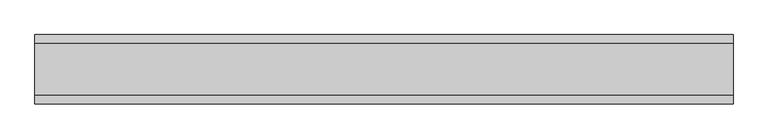
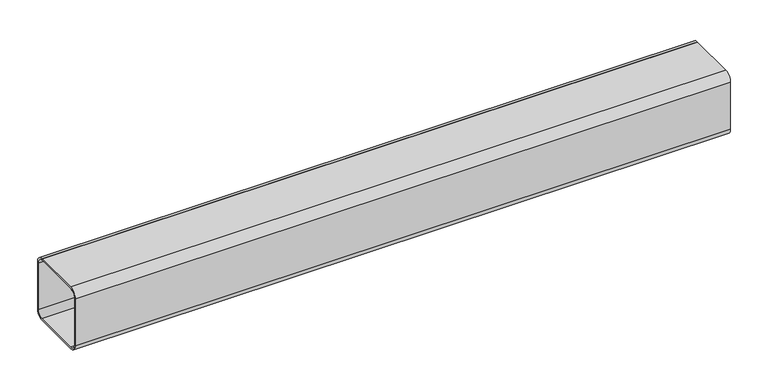
"""IFC4 building model written with IfcOpenShell, lengths in millimetres: beam geometry."""

import ifcopenshell
import ifcopenshell.guid

model = None  # the IFC model being written
_history = None  # IfcOwnerHistory: only IFC2X3 demands one
_inside = {}  # id of a spatial element -> (the spatial element, [elements in it])
_under = {}  # id of a project, library or spatial element -> (it, [spatial elements below it])
_declared = {}  # id of a project -> (the project, [libraries it declares])
_typed = {}  # id of a type object -> (the type object, [elements of that type])
_made_of = {}  # id of a material, layer set ... -> (it, [elements and type objects made of it])


def new_model(schema):
    """Start an empty IFC model of exactly this schema.

    Asked for "IFC4X3", IfcOpenShell would pick the latest addendum, in which some entities
    have other attributes; the version numbers below select the first issue.
    IFC2X3 requires an IfcOwnerHistory on every rooted entity: one is made here for all.
    """
    global model, _history
    if schema == "IFC4X3":
        model = ifcopenshell.file(schema_version=(4, 3, 0, 0))
    else:
        model = ifcopenshell.file(schema=schema)
    _inside.clear()
    _under.clear()
    _declared.clear()
    _typed.clear()
    _made_of.clear()
    _history = None
    if model.schema == "IFC2X3":
        org = make("IfcOrganization", Name="unknown")
        user = make(
            "IfcPersonAndOrganization",
            ThePerson=make("IfcPerson", FamilyName="unknown"),
            TheOrganization=org,
        )
        app = make(
            "IfcApplication",
            ApplicationDeveloper=org,
            Version="unknown",
            ApplicationFullName="unknown",
            ApplicationIdentifier="unknown",
        )
        _history = make(
            "IfcOwnerHistory",
            OwningUser=user,
            OwningApplication=app,
            ChangeAction="ADDED",
            CreationDate=0,
        )
    return model


def make(cls, **values):
    """One entity of the class cls with the attributes given. An attribute that is None is left unset."""
    return model.create_entity(
        cls, **{name: value for name, value in values.items() if value is not None}
    )


def rooted(cls, **values):
    """An entity with a GlobalId (a new one), such as an element, a storey or a relation."""
    return make(cls, GlobalId=ifcopenshell.guid.new(), OwnerHistory=_history, **values)


def si_unit(unit_type, name, prefix=None):
    """IfcSIUnit, for example si_unit("LENGTHUNIT", "METRE", prefix="MILLI")."""
    return make("IfcSIUnit", UnitType=unit_type, Prefix=prefix, Name=name)


def assignment(units):
    """IfcUnitAssignment: the units of a project."""
    return None if units is None else make("IfcUnitAssignment", Units=units)


def point(xyz):
    """IfcCartesianPoint."""
    return None if xyz is None else make("IfcCartesianPoint", Coordinates=xyz)


def direction(xyz):
    """IfcDirection."""
    return None if xyz is None else make("IfcDirection", DirectionRatios=xyz)


def frame(location, z_axis=None, x_axis=None):
    """IfcAxis2Placement3D, a coordinate frame: its origin and axes. An axis left out is left unset."""
    return make(
        "IfcAxis2Placement3D",
        Location=point(location),
        Axis=direction(z_axis),
        RefDirection=direction(x_axis),
    )


def frame_2d(location, x_axis=None):
    """IfcAxis2Placement2D, a coordinate frame in the plane: its origin and x axis."""
    return make(
        "IfcAxis2Placement2D", Location=point(location), RefDirection=direction(x_axis)
    )


def origin():
    """The frame at (0, 0, 0) with its axes left unset."""
    return frame((0.0, 0.0, 0.0))


def place(relative_to, where):
    """IfcLocalPlacement: puts the frame where relative to a parent placement (None: the world)."""
    return make(
        "IfcLocalPlacement", PlacementRelTo=relative_to, RelativePlacement=where
    )


def context(
    kind, dimensions, precision=None, world=None, true_north=None, identifier=None
):
    """IfcGeometricRepresentationContext, for example the 3D "Model" context."""
    return make(
        "IfcGeometricRepresentationContext",
        ContextIdentifier=identifier,
        ContextType=kind,
        CoordinateSpaceDimension=dimensions,
        Precision=precision,
        WorldCoordinateSystem=world,
        TrueNorth=true_north,
    )


def project(units=None, contexts=None):
    """IfcProject with its units and contexts."""
    return rooted(
        "IfcProject",
        Name="project",
        RepresentationContexts=contexts,
        UnitsInContext=assignment(units),
    )


def spatial(cls, under=None, at=None, **own):
    """A site, building, storey or space (cls), placed at a placement, below another one or the project."""
    s = rooted(cls, ObjectPlacement=at, **own)
    if under is not None:
        _under.setdefault(under.id(), (under, []))[1].append(s)
    return s


def polyline(points):
    """IfcPolyline through the points."""
    return make("IfcPolyline", Points=[point(p) for p in points])


def circle_curve(where, radius):
    """IfcCircle in the frame where."""
    return make("IfcCircle", Position=where, Radius=radius)


def trimmed(basis, trim1, trim2, sense, master):
    """IfcTrimmedCurve: the piece of a basis curve between two trims."""
    return make(
        "IfcTrimmedCurve",
        BasisCurve=basis,
        Trim1=trim1,
        Trim2=trim2,
        SenseAgreement=sense,
        MasterRepresentation=master,
    )


def segment(curve, same_sense, transition):
    """IfcCompositeCurveSegment."""
    return make(
        "IfcCompositeCurveSegment",
        Transition=transition,
        SameSense=same_sense,
        ParentCurve=curve,
    )


def composite_curve(segments, self_intersect=None):
    """IfcCompositeCurve: segments joined end to end."""
    return make("IfcCompositeCurve", Segments=segments, SelfIntersect=self_intersect)


def outline(outer, holes=None, kind="AREA"):
    """IfcArbitraryClosedProfileDef: a profile drawn as a closed curve; with holes, ...WithVoids."""
    if holes is None:
        return make("IfcArbitraryClosedProfileDef", ProfileType=kind, OuterCurve=outer)
    return make(
        "IfcArbitraryProfileDefWithVoids",
        ProfileType=kind,
        OuterCurve=outer,
        InnerCurves=holes,
    )


def extrude(swept, where, along, depth):
    """IfcExtrudedAreaSolid: the profile swept, set in the frame where, extruded along a direction by depth."""
    return make(
        "IfcExtrudedAreaSolid",
        SweptArea=swept,
        Position=where,
        ExtrudedDirection=direction(along),
        Depth=depth,
    )


def shape(context_of_items, identifier, shape_type, items):
    """IfcShapeRepresentation: the items that make up one representation, for example the "Body"."""
    return make(
        "IfcShapeRepresentation",
        ContextOfItems=context_of_items,
        RepresentationIdentifier=identifier,
        RepresentationType=shape_type,
        Items=items,
    )


def source(mapping_origin, context_of_items, identifier, shape_type, items):
    """IfcRepresentationMap: a shape defined once, which mapped items show again and again."""
    return make(
        "IfcRepresentationMap",
        MappingOrigin=mapping_origin,
        MappedRepresentation=shape(context_of_items, identifier, shape_type, items),
    )


def transform(
    local_origin,
    x_axis=None,
    y_axis=None,
    z_axis=None,
    scale=None,
    scale2=None,
    scale3=None,
    uniform=True,
):
    """IfcCartesianTransformationOperator3D, or its non-uniform kind. x_axis, y_axis, z_axis: its Axis1, 2, 3."""
    if uniform:
        return make(
            "IfcCartesianTransformationOperator3D",
            Axis1=direction(x_axis),
            Axis2=direction(y_axis),
            LocalOrigin=point(local_origin),
            Scale=scale,
            Axis3=direction(z_axis),
        )
    return make(
        "IfcCartesianTransformationOperator3DnonUniform",
        Axis1=direction(x_axis),
        Axis2=direction(y_axis),
        LocalOrigin=point(local_origin),
        Scale=scale,
        Axis3=direction(z_axis),
        Scale2=scale2,
        Scale3=scale3,
    )


def mapped(mapping_source, mapping_target):
    """IfcMappedItem: shows the shape of a source again, moved by a transform."""
    return make(
        "IfcMappedItem", MappingSource=mapping_source, MappingTarget=mapping_target
    )


def made_of(thing, what):
    """Note that an element or type object is made of a material, layer set ...; save() writes the relation."""
    if what is not None:
        _made_of.setdefault(what.id(), (what, []))[1].append(thing)
    return thing


def element(
    cls,
    number,
    at=None,
    inside=None,
    cuts=None,
    type_object=None,
    material=None,
    context=None,
    identifier="Body",
    shape_type=None,
    held_by="IfcProductDefinitionShape",
    body=None,
    shapes=None,
    **own,
):
    """One element of the class cls, such as IfcWall. Its Tag is "e" and its number.

    at: its placement. inside: the storey or other place that contains it. cuts: it is an
    opening in that element (IfcRelVoidsElement). A single representation is given by context,
    identifier, shape_type and body (its items); several are given by shapes. held_by: the class
    of the entity that holds the representations. save() writes the other relations.
    """
    e = rooted(cls, Tag="e%d" % number, ObjectPlacement=at, **own)
    if body is not None:
        shapes = [shape(context, identifier, shape_type, body)]
    if shapes is not None:
        e.Representation = make(held_by, Representations=shapes)
    if inside is not None:
        _inside.setdefault(inside.id(), (inside, []))[1].append(e)
    if cuts is not None:
        rooted(
            "IfcRelVoidsElement", RelatingBuildingElement=cuts, RelatedOpeningElement=e
        )
    if type_object is not None:
        _typed.setdefault(type_object.id(), (type_object, []))[1].append(e)
    return made_of(e, material)


def aggregate(whole, parts):
    """IfcRelAggregates: a whole, such as a stair, and the parts it consists of."""
    return rooted("IfcRelAggregates", RelatingObject=whole, RelatedObjects=parts)


def save(model, path):
    """Write the relations noted so far, then the file.

    IfcRelAggregates (storeys below a building ...), IfcRelContainedInSpatialStructure (elements
    in a storey), IfcRelDefinesByType, IfcRelAssociatesMaterial and IfcRelDeclares: one each for
    every whole, place, type object, material and project.
    """
    for whole, parts in _under.values():
        aggregate(whole, parts)
    for where, things in _inside.values():
        rooted(
            "IfcRelContainedInSpatialStructure",
            RelatedElements=things,
            RelatingStructure=where,
        )
    for kind, things in _typed.values():
        rooted("IfcRelDefinesByType", RelatedObjects=things, RelatingType=kind)
    for what, things in _made_of.values():
        rooted("IfcRelAssociatesMaterial", RelatedObjects=things, RelatingMaterial=what)
    for by, libraries in _declared.values():
        rooted("IfcRelDeclares", RelatingContext=by, RelatedDefinitions=libraries)
    model.write(path)


def beam_9420e83b(model_context):
    return source(origin(), model_context, "Body", "SweptSolid", [
        extrude(outline(composite_curve([segment(polyline([(-38.0, 50.0), (38.0, 50.0)]), True, "CONTINUOUS"), segment(trimmed(circle_curve(frame_2d((38.0, 38.0)), 12.0), [point((38.0, 50.0))], [point((50.0, 38.0))], False, "CARTESIAN"), True, "CONTINUOUS"), segment(polyline([(50.0, 38.0), (50.0, -38.0)]), True, "CONTINUOUS"), segment(trimmed(circle_curve(frame_2d((38.0, -38.0)), 12.0), [point((50.0, -38.0))], [point((38.0, -50.0))], False, "CARTESIAN"), True, "CONTINUOUS"), segment(polyline([(38.0, -50.0), (-38.0, -50.0)]), True, "CONTINUOUS"), segment(trimmed(circle_curve(frame_2d((-38.0, -38.0)), 12.0), [point((-38.0, -50.0))], [point((-50.0, -38.0))], False, "CARTESIAN"), True, "CONTINUOUS"), segment(polyline([(-50.0, -38.0), (-50.0, 38.0)]), True, "CONTINUOUS"), segment(trimmed(circle_curve(frame_2d((-38.0, 38.0)), 12.0), [point((-50.0, 38.0))], [point((-38.0, 50.0))], False, "CARTESIAN"), True, "CONTINUOUS")], self_intersect=False), holes=[composite_curve([segment(trimmed(circle_curve(frame_2d((-38.0, 38.0)), 9.0), [point((-38.0, 47.0))], [point((-47.0, 38.0))], True, "CARTESIAN"), True, "CONTINUOUS"), segment(polyline([(-47.0, 38.0), (-47.0, -38.0)]), True, "CONTINUOUS"), segment(trimmed(circle_curve(frame_2d((-38.0, -38.0)), 9.0), [point((-47.0, -38.0))], [point((-38.0, -47.0))], True, "CARTESIAN"), True, "CONTINUOUS"), segment(polyline([(-38.0, -47.0), (38.0, -47.0)]), True, "CONTINUOUS"), segment(trimmed(circle_curve(frame_2d((38.0, -38.0)), 9.0), [point((38.0, -47.0))], [point((47.0, -38.0))], True, "CARTESIAN"), True, "CONTINUOUS"), segment(polyline([(47.0, -38.0), (47.0, 38.0)]), True, "CONTINUOUS"), segment(trimmed(circle_curve(frame_2d((38.0, 38.0)), 9.0), [point((47.0, 38.0))], [point((38.0, 47.0))], True, "CARTESIAN"), True, "CONTINUOUS"), segment(polyline([(38.0, 47.0), (-38.0, 47.0)]), True, "CONTINUOUS")], self_intersect=False)]), frame((-503.0, 0.0, 0.0), z_axis=(1.0, 0.0, 0.0), x_axis=(0.0, 1.0, 0.0)), (0.0, 0.0, 1.0), 1006.0),
    ])


if __name__ == "__main__":
    model = new_model("IFC4")
    model_context = context("Model", 3, world=origin())
    ifc_project = project(units=[si_unit("LENGTHUNIT", "METRE", prefix="MILLI")], contexts=[model_context])
    site = spatial("IfcSite", under=ifc_project)
    building = spatial("IfcBuilding", under=site)
    placement = place(None, origin())
    beam_shape = beam_9420e83b(model_context)
    element("IfcBeam", 1, at=placement, inside=building, context=model_context, shape_type="MappedRepresentation", body=[
        mapped(beam_shape, transform((0.0, 0.0, 0.0), x_axis=(1.0, 0.0, 0.0), y_axis=(0.0, 1.0, 0.0), z_axis=(0.0, 0.0, 1.0))),
    ])
    save(model, "model.ifc")
